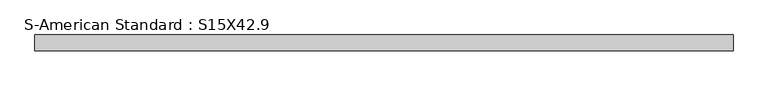
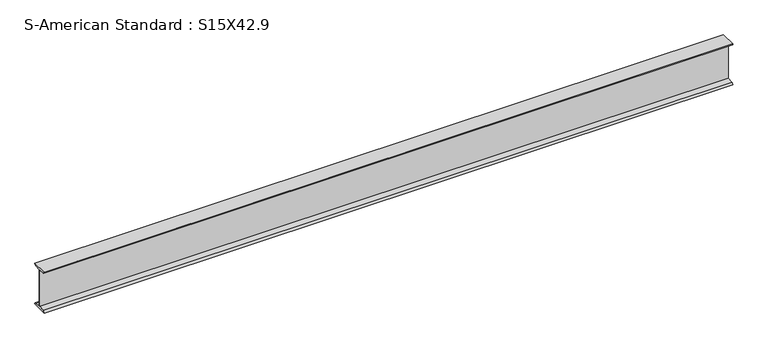
"""IFC4 building model written with IfcOpenShell, lengths in millimetres: beam geometry, S-American Standard : S15X42.9."""

from ifc_helpers import new_model, si_unit, point, frame, frame_2d, origin, place, context, project, spatial, polyline, circle_curve, trimmed, segment, composite_curve, outline, extrude, source, transform, mapped, element, save


def s_american_standard_s15x42_9_ccb19623(model_context):
    return source(origin(), model_context, "Body", "SweptSolid", [
        extrude(outline(composite_curve([segment(polyline([(-69.85, 190.5), (69.85, 190.5)]), True, "CONTINUOUS"), segment(trimmed(circle_curve(frame_2d((54.05, 190.5)), 15.8), [point((69.85, 190.5))], [point((54.05, 174.7))], False, "CARTESIAN"), True, "CONTINUOUS"), segment(polyline([(54.05, 174.7), (5.2, 166.9629201), (5.2, -166.9629201), (54.05, -174.7)]), True, "CONTINUOUS"), segment(trimmed(circle_curve(frame_2d((54.05, -190.5)), 15.8), [point((54.05, -174.7))], [point((69.85, -190.5))], False, "CARTESIAN"), True, "CONTINUOUS"), segment(polyline([(69.85, -190.5), (-69.85, -190.5)]), True, "CONTINUOUS"), segment(trimmed(circle_curve(frame_2d((-54.05, -190.5)), 15.8), [point((-69.85, -190.5))], [point((-54.05, -174.7))], False, "CARTESIAN"), True, "CONTINUOUS"), segment(polyline([(-54.05, -174.7), (-5.2, -166.9629201), (-5.2, 166.9629201), (-54.05, 174.7)]), True, "CONTINUOUS"), segment(trimmed(circle_curve(frame_2d((-54.05, 190.5)), 15.8), [point((-54.05, 174.7))], [point((-69.85, 190.5))], False, "CARTESIAN"), True, "CONTINUOUS")], self_intersect=False)), frame((-6080.825851, 0.0, 0.0), z_axis=(1.0, 0.0, 0.0), x_axis=(0.0, 1.0, 0.0)), (0.0, 0.0, 1.0), 6081.348263),
    ])


if __name__ == "__main__":
    model = new_model("IFC4")
    model_context = context("Model", 3, world=origin())
    ifc_project = project(units=[si_unit("LENGTHUNIT", "METRE", prefix="MILLI")], contexts=[model_context])
    site = spatial("IfcSite", under=ifc_project)
    building = spatial("IfcBuilding", under=site)
    placement = place(None, origin())
    s_american_standard_s15x42_9_shape = s_american_standard_s15x42_9_ccb19623(model_context)
    element("IfcBeam", 1, ObjectType="S-American Standard : S15X42.9", at=placement, inside=building, context=model_context, shape_type="MappedRepresentation", body=[
        mapped(s_american_standard_s15x42_9_shape, transform((0.0, 0.0, 0.0), x_axis=(1.0, 0.0, 0.0), y_axis=(0.0, 1.0, 0.0), z_axis=(0.0, 0.0, 1.0))),
    ])
    save(model, "model.ifc")
